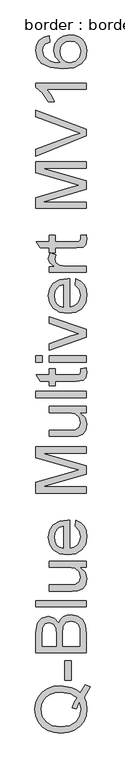
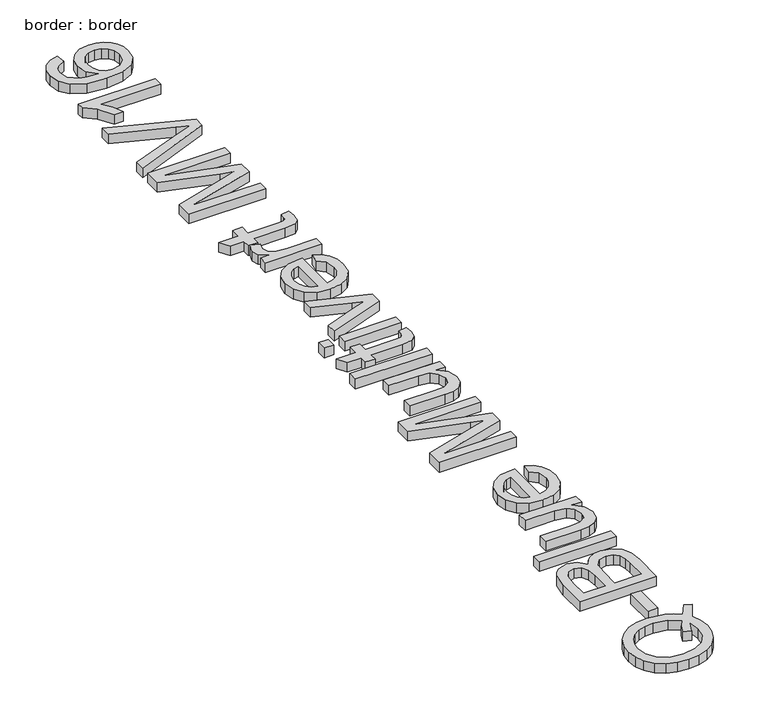
"""IFC4 building model written with IfcOpenShell, lengths in millimetres: proxy geometry, border : border."""

from ifc_helpers import new_model, si_unit, origin, origin_with_axes, place, context, project, spatial, polyline, outline, extrude, source, transform, mapped, element, save


def border_border_29432207(model_context):
    return source(origin(), model_context, "Body", "SweptSolid", [
        extrude(outline(polyline([(-518.063006, 579.5960363), (-502.3544448, 602.956543), (-488.55887, 597.8797714), (-506.1804175, 566.8673192), (-499.7792708, 549.4389097), (-497.6455552, 530.2630607), (-500.1057661, 510.9952412), (-507.4863986, 493.5852258), (-519.3230018, 479.0033032), (-535.1511246, 468.2197622), (-554.1016459, 461.5564996), (-575.3054444, 459.335412), (-596.527637, 461.5519011), (-615.7540698, 468.2013681), (-631.8075203, 478.9435224), (-643.5107663, 493.438073), (-650.6568741, 510.7837091), (-653.03891, 530.0791197), (-650.6016918, 549.5262817), (-643.2900371, 566.9592897), (-631.5913897, 581.4308477), (-615.9931931, 591.9936595), (-597.3231818, 598.4499885), (-576.4090904, 600.6020982), (-543.4836518, 595.3781739), (-529.8260328, 588.8206773), (-518.063006, 579.5960363)]), holes=[polyline([(-543.1157698, 535.4501968), (-537.1284904, 551.2875167), (-528.8051602, 564.0714161), (-548.2293296, 577.342759), (-575.4525972, 581.76654), (-592.0302796, 580.2030416), (-606.3730789, 575.5125461), (-618.1177116, 567.8100168), (-626.9008942, 557.2104169), (-632.3777374, 544.4311161), (-634.2033518, 530.1894843), (-630.5107363, 509.661669), (-619.4328897, 492.9598264), (-601.0249944, 481.8681842), (-575.3422326, 478.1709702), (-550.2112938, 481.8267975), (-531.6930339, 492.7942795), (-520.2840935, 509.4455383), (-516.4811134, 530.1526961), (-520.3438743, 550.422994), (-528.6947956, 530.5941545), (-543.1157698, 535.4501968)])]), origin_with_axes(), (0.0, 0.0, 1.0), 20.0),
        extrude(outline(polyline([(-544.7344506, 617.0832116), (-563.5700088, 617.0832116), (-563.5700088, 675.9443308), (-544.7344506, 675.9443308), (-544.7344506, 617.0832116)])), origin_with_axes(), (0.0, 0.0, 1.0), 20.0),
        extrude(outline(polyline([(-500.0, 699.4887785), (-650.6844652, 699.4887785), (-650.6844652, 756.9887343), (-646.2514872, 785.1501011), (-640.6274912, 794.6138654), (-632.6214593, 801.7783673), (-613.3444427, 807.7932379), (-595.7412892, 802.7348604), (-582.4055669, 787.4493635), (-576.8321547, 798.1225399), (-568.3524747, 806.0090102), (-557.527547, 810.8788481), (-544.9183916, 812.5021274), (-524.6664878, 808.0691494), (-510.2455136, 797.0878718), (-502.5935681, 780.6987289), (-500.0, 756.5472759), (-500.0, 699.4887785)]), holes=[polyline([(-589.4689012, 718.3243366), (-589.4689012, 752.7213032), (-591.087582, 772.8076601), (-598.0589458, 784.8925837), (-610.3278104, 788.9576797), (-622.615069, 785.1684952), (-629.8807384, 774.3159763), (-631.8489071, 750.109341), (-631.8489071, 718.3243366), (-589.4689012, 718.3243366)]), polyline([(-518.8355582, 718.3243366), (-518.8355582, 756.9519461), (-519.5713221, 770.931462), (-523.6732064, 782.7588681), (-532.0425218, 790.5947546), (-544.7344506, 793.6665693), (-559.376154, 790.0613257), (-568.1133514, 778.3810724), (-570.6333431, 755.1125362), (-570.6333431, 718.3243366), (-518.8355582, 718.3243366)])]), origin_with_axes(), (0.0, 0.0, 1.0), 20.0),
        extrude(outline(polyline([(-500.0, 836.0465751), (-650.6844652, 836.0465751), (-650.6844652, 854.8821333), (-500.0, 854.8821333), (-500.0, 836.0465751)])), origin_with_axes(), (0.0, 0.0, 1.0), 20.0),
        extrude(outline(polyline([(-500.0, 953.7688136), (-519.0194992, 953.7688136), (-502.9890412, 939.0167456), (-497.6455552, 919.7765172), (-501.3979516, 902.0629991), (-510.8157307, 889.8493169), (-524.6848819, 884.2391165), (-542.1960648, 883.1354705), (-610.6589041, 883.1354705), (-610.6589041, 901.9710286), (-551.0620209, 901.9710286), (-531.8585808, 903.1114628), (-520.5829976, 910.5610732), (-516.4811134, 924.5957713), (-520.6749681, 940.3227266), (-532.0977041, 950.715393), (-553.0853719, 953.7688136), (-610.6589041, 953.7688136), (-610.6589041, 972.6043717), (-500.0, 972.6043717), (-500.0, 953.7688136)])), origin_with_axes(), (0.0, 0.0, 1.0), 20.0),
        extrude(outline(polyline([(-532.9622268, 1075.9792124), (-530.607782, 1094.4468885), (-516.6926455, 1087.7928229), (-506.2907821, 1077.1748288), (-499.806862, 1062.8320296), (-497.6455552, 1045.0035484), (-501.374959, 1022.9030375), (-512.5631701, 1005.8976923), (-530.4836218, 995.0543705), (-554.4097471, 991.4399299), (-579.1406142, 995.0911587), (-597.6358815, 1006.0448451), (-609.1689821, 1022.8202641), (-613.0133489, 1043.9366906), (-609.1781791, 1064.395528), (-597.6726697, 1080.7432842), (-579.2141906, 1091.4624458), (-554.5201117, 1095.0354997), (-549.4433402, 1094.9251351), (-549.4433402, 1010.275488), (-535.3442627, 1013.5358422), (-524.9791875, 1021.1096128), (-518.6056319, 1032.0403066), (-516.4811134, 1045.3714304), (-520.4174507, 1063.8391065), (-532.9622268, 1075.9792124)]), holes=[polyline([(-568.2788983, 1010.275488), (-568.2788983, 1076.1999416), (-578.2301063, 1073.6523587), (-585.3486229, 1068.6583607), (-591.9704988, 1057.6770831), (-594.1777908, 1043.8631142), (-592.4165557, 1031.1665868), (-587.1328506, 1020.6681544), (-578.8968924, 1013.3702953), (-568.2788983, 1010.275488)])]), origin_with_axes(), (0.0, 0.0, 1.0), 20.0),
        extrude(outline(polyline([(-500.0, 1175.0866219), (-650.6844652, 1175.0866219), (-650.6844652, 1207.4970256), (-544.4769332, 1238.3255368), (-522.2936489, 1244.5427425), (-546.3163432, 1251.2749831), (-650.6844652, 1281.5884595), (-650.6844652, 1313.9988632), (-500.0, 1313.9988632), (-500.0, 1295.1633051), (-631.8489071, 1295.1633051), (-500.0, 1257.3082478), (-500.0, 1231.7772373), (-631.8489071, 1193.92218), (-500.0, 1193.92218), (-500.0, 1175.0866219)])), origin_with_axes(), (0.0, 0.0, 1.0), 20.0),
        extrude(outline(polyline([(-500.0, 1415.2399883), (-519.0194992, 1415.2399883), (-502.9890412, 1400.4879203), (-497.6455552, 1381.247692), (-501.3979516, 1363.5341739), (-510.8157307, 1351.3204916), (-524.6848819, 1345.7102912), (-542.1960648, 1344.6066452), (-610.6589041, 1344.6066452), (-610.6589041, 1363.4422034), (-551.0620209, 1363.4422034), (-531.8585808, 1364.5826376), (-520.5829976, 1372.032248), (-516.4811134, 1386.0669461), (-520.6749681, 1401.7939014), (-532.0977041, 1412.1865678), (-553.0853719, 1415.2399883), (-610.6589041, 1415.2399883), (-610.6589041, 1434.0755465), (-500.0, 1434.0755465), (-500.0, 1415.2399883)])), origin_with_axes(), (0.0, 0.0, 1.0), 20.0),
        extrude(outline(polyline([(-500.0, 1459.9744389), (-650.6844652, 1459.9744389), (-650.6844652, 1478.8099971), (-500.0, 1478.8099971), (-500.0, 1459.9744389)])), origin_with_axes(), (0.0, 0.0, 1.0), 20.0),
        extrude(outline(polyline([(-515.7085612, 1547.0888954), (-499.448177, 1549.4433402), (-497.6455552, 1535.3534597), (-500.7725522, 1519.5713221), (-508.9763207, 1511.6986474), (-530.3502646, 1509.4177791), (-591.823346, 1509.4177791), (-591.823346, 1495.2911105), (-610.6589041, 1495.2911105), (-610.6589041, 1509.4177791), (-637.551078, 1509.4177791), (-648.6243261, 1528.2533372), (-610.6589041, 1528.2533372), (-610.6589041, 1547.0888954), (-591.823346, 1547.0888954), (-591.823346, 1528.2533372), (-530.9020876, 1528.2533372), (-521.1900029, 1529.2466186), (-517.7503063, 1532.4655861), (-516.4811134, 1538.8851269), (-515.7085612, 1547.0888954)])), origin_with_axes(), (0.0, 0.0, 1.0), 20.0),
        extrude(outline(polyline([(-500.0, 1565.9244535), (-610.6589041, 1565.9244535), (-610.6589041, 1584.7600117), (-500.0, 1584.7600117), (-500.0, 1565.9244535)])), origin_with_axes(), (0.0, 0.0, 1.0), 20.0),
        extrude(outline(polyline([(-631.8489071, 1565.9244535), (-650.6844652, 1565.9244535), (-650.6844652, 1584.7600117), (-631.8489071, 1584.7600117), (-631.8489071, 1565.9244535)])), origin_with_axes(), (0.0, 0.0, 1.0), 20.0),
        extrude(outline(polyline([(-500.0, 1640.1630402), (-610.6589041, 1601.2411251), (-610.6589041, 1621.1803292), (-544.3665686, 1644.7615651), (-522.0729197, 1651.8616876), (-543.1157698, 1658.8146573), (-610.6589041, 1682.543046), (-610.6589041, 1702.4822501), (-500.0, 1664.0385816), (-500.0, 1640.1630402)])), origin_with_axes(), (0.0, 0.0, 1.0), 20.0),
        extrude(outline(polyline([(-532.9622268, 1796.4393117), (-530.607782, 1814.9069879), (-516.6926455, 1808.2529223), (-506.2907821, 1797.6349282), (-499.806862, 1783.2921289), (-497.6455552, 1765.4636477), (-501.374959, 1743.3631369), (-512.5631701, 1726.3577916), (-530.4836218, 1715.5144698), (-554.4097471, 1711.9000292), (-579.1406142, 1715.551258), (-597.6358815, 1726.5049444), (-609.1689821, 1743.2803634), (-613.0133489, 1764.3967899), (-609.1781791, 1784.8556274), (-597.6726697, 1801.2033836), (-579.2141906, 1811.9225452), (-554.5201117, 1815.4955991), (-549.4433402, 1815.3852345), (-549.4433402, 1730.7355874), (-535.3442627, 1733.9959416), (-524.9791875, 1741.5697121), (-518.6056319, 1752.5004059), (-516.4811134, 1765.8315297), (-520.4174507, 1784.2992059), (-532.9622268, 1796.4393117)]), holes=[polyline([(-568.2788983, 1730.7355874), (-568.2788983, 1796.6600409), (-578.2301063, 1794.1124581), (-585.3486229, 1789.11846), (-591.9704988, 1778.1371825), (-594.1777908, 1764.3232135), (-592.4165557, 1751.6266862), (-587.1328506, 1741.1282537), (-578.8968924, 1733.8303947), (-568.2788983, 1730.7355874)])]), origin_with_axes(), (0.0, 0.0, 1.0), 20.0),
        extrude(outline(polyline([(-500.0, 1834.3311572), (-610.6589041, 1834.3311572), (-610.6589041, 1850.8122706), (-594.2881554, 1850.8122706), (-609.3713172, 1862.510918), (-613.0133489, 1874.2831419), (-607.2008134, 1893.1922764), (-590.3150298, 1886.9014943), (-594.1777908, 1873.6577425), (-590.4621826, 1863.0075587), (-580.1614867, 1856.2201359), (-558.1621434, 1853.1667154), (-500.0, 1853.1667154), (-500.0, 1834.3311572)])), origin_with_axes(), (0.0, 0.0, 1.0), 20.0),
        extrude(outline(polyline([(-515.7085612, 1944.9900614), (-499.448177, 1947.3445061), (-497.6455552, 1933.2546257), (-500.7725522, 1917.4724881), (-508.9763207, 1909.5998134), (-530.3502646, 1907.3189451), (-591.823346, 1907.3189451), (-591.823346, 1893.1922764), (-610.6589041, 1893.1922764), (-610.6589041, 1907.3189451), (-637.551078, 1907.3189451), (-648.6243261, 1926.1545032), (-610.6589041, 1926.1545032), (-610.6589041, 1944.9900614), (-591.823346, 1944.9900614), (-591.823346, 1926.1545032), (-530.9020876, 1926.1545032), (-521.1900029, 1927.1477846), (-517.7503063, 1930.3667521), (-516.4811134, 1936.7862929), (-515.7085612, 1944.9900614)])), origin_with_axes(), (0.0, 0.0, 1.0), 20.0),
        extrude(outline(polyline([(-500.0, 2025.0411835), (-650.6844652, 2025.0411835), (-650.6844652, 2057.4515873), (-544.4769332, 2088.2800985), (-522.2936489, 2094.4973042), (-546.3163432, 2101.2295447), (-650.6844652, 2131.5430211), (-650.6844652, 2163.9534249), (-500.0, 2163.9534249), (-500.0, 2145.1178667), (-631.8489071, 2145.1178667), (-500.0, 2107.2628094), (-500.0, 2081.731799), (-631.8489071, 2043.8767417), (-500.0, 2043.8767417), (-500.0, 2025.0411835)])), origin_with_axes(), (0.0, 0.0, 1.0), 20.0),
        extrude(outline(polyline([(-500.0, 2241.4293731), (-650.6844652, 2181.4646079), (-650.6844652, 2201.6245412), (-542.1224884, 2241.7604669), (-517.6583358, 2249.890659), (-542.1224884, 2257.9104865), (-650.6844652, 2298.1567767), (-650.6844652, 2318.3167101), (-500.0, 2260.8903306), (-500.0, 2241.4293731)])), origin_with_axes(), (0.0, 0.0, 1.0), 20.0),
        extrude(outline(polyline([(-500.0, 2399.3979018), (-500.0, 2380.5623437), (-617.4279329, 2380.5623437), (-604.7176099, 2362.7200669), (-595.2078604, 2342.8912273), (-613.0133489, 2342.8912273), (-630.6348965, 2370.5007711), (-650.6844652, 2387.257796), (-650.6844652, 2399.3979018), (-500.0, 2399.3979018)])), origin_with_axes(), (0.0, 0.0, 1.0), 20.0),
        extrude(outline(polyline([(-610.6589041, 2540.664588), (-608.3044594, 2521.8290298), (-624.0130206, 2514.6921191), (-629.8899354, 2506.1480598), (-631.8489071, 2495.8197727), (-627.2871703, 2478.8236246), (-610.1622635, 2465.9661488), (-596.1321639, 2462.0620012), (-576.5930314, 2460.6134658), (-591.6210109, 2477.2233379), (-596.5322355, 2497.8063355), (-593.1753123, 2515.2071539), (-583.1045427, 2529.8120691), (-567.7178783, 2539.7172918), (-548.4132706, 2543.0190327), (-534.9257969, 2541.4647313), (-522.4224076, 2536.801827), (-511.8182091, 2529.416596), (-504.0283078, 2519.6953142), (-499.2412434, 2508.0794402), (-497.6455552, 2495.0104324), (-501.8761982, 2473.641087), (-514.568127, 2456.6219462), (-536.9721405, 2445.4889173), (-570.3390375, 2441.7779077), (-607.8538039, 2445.898186), (-633.504376, 2458.259021), (-646.3894429, 2475.1356076), (-650.6844652, 2496.9969951), (-648.0265178, 2513.5240938), (-640.0526756, 2526.7586485), (-627.3883379, 2536.0292748), (-610.6589041, 2540.664588)]), holes=[polyline([(-548.7075762, 2460.6134658), (-532.3920097, 2464.9728674), (-520.5462094, 2476.5611503), (-516.4811134, 2493.5389044), (-518.5872378, 2505.9687173), (-524.9056111, 2515.7405828), (-534.8384249, 2522.0727516), (-547.7878712, 2524.1834746), (-560.2176841, 2522.1003428), (-569.695244, 2515.8509474), (-575.696319, 2505.913535), (-577.6966774, 2492.7663522), (-575.696319, 2480.3549334), (-569.695244, 2469.9760626), (-560.4476103, 2462.954115), (-548.7075762, 2460.6134658)])]), origin_with_axes(), (0.0, 0.0, 1.0), 20.0),
    ])


if __name__ == "__main__":
    model = new_model("IFC4")
    model_context = context("Model", 3, world=origin())
    ifc_project = project(units=[si_unit("LENGTHUNIT", "METRE", prefix="MILLI")], contexts=[model_context])
    site = spatial("IfcSite", under=ifc_project)
    building = spatial("IfcBuilding", under=site)
    placement = place(None, origin())
    border_border_shape = border_border_29432207(model_context)
    element("IfcBuildingElementProxy", 1, Name="border : border", ObjectType="border : border", at=placement, inside=building, context=model_context, shape_type="MappedRepresentation", body=[
        mapped(border_border_shape, transform((0.0, 0.0, 0.0), x_axis=(1.0, 0.0, 0.0), y_axis=(0.0, 1.0, 0.0), z_axis=(0.0, 0.0, 1.0))),
    ])
    save(model, "model.ifc")
